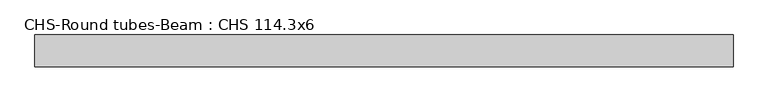
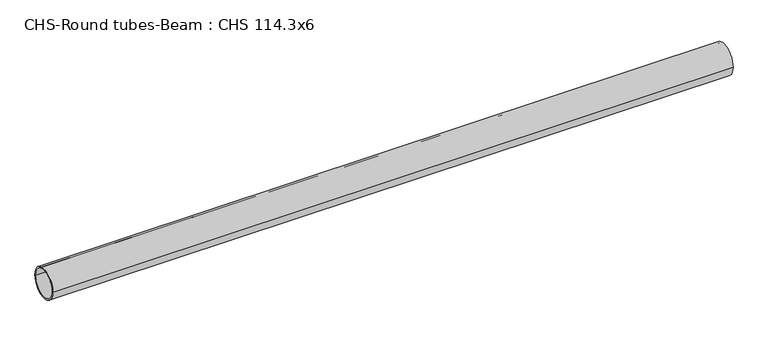
"""IFC4 building model written with IfcOpenShell, lengths in millimetres: beam geometry, CHS-Round tubes-Beam : CHS 114.3x6."""

from ifc_helpers import new_model, si_unit, point, frame, origin, origin_2d, place, context, project, spatial, circle_curve, trimmed, segment, composite_curve, outline, extrude, source, transform, mapped, element, save


def chs_round_tubes_beam_chs_114_3x6_e6110015(model_context):
    return source(origin(), model_context, "Body", "SweptSolid", [
        extrude(outline(composite_curve([segment(trimmed(circle_curve(origin_2d(), 57.15), [point((57.15, 0.0))], [point((-57.15, 0.0))], False, "CARTESIAN"), True, "CONTINUOUS"), segment(trimmed(circle_curve(origin_2d(), 57.15), [point((-57.15, 0.0))], [point((57.15, 0.0))], False, "CARTESIAN"), True, "CONTINUOUS")], self_intersect=False), holes=[composite_curve([segment(trimmed(circle_curve(origin_2d(), 51.15), [point((51.15, 0.0))], [point((-51.15, 0.0))], True, "CARTESIAN"), True, "CONTINUOUS"), segment(trimmed(circle_curve(origin_2d(), 51.15), [point((-51.15, 0.0))], [point((51.15, 0.0))], True, "CARTESIAN"), True, "CONTINUOUS")], self_intersect=False)]), frame((-1089.5560626, 0.0, 0.0), z_axis=(1.0, 0.0, 0.0), x_axis=(0.0, 1.0, 0.0)), (0.0, 0.0, 1.0), 2502.4767483),
    ])


if __name__ == "__main__":
    model = new_model("IFC4")
    model_context = context("Model", 3, world=origin())
    ifc_project = project(units=[si_unit("LENGTHUNIT", "METRE", prefix="MILLI")], contexts=[model_context])
    site = spatial("IfcSite", under=ifc_project)
    building = spatial("IfcBuilding", under=site)
    placement = place(None, origin())
    chs_round_tubes_beam_chs_114_3x6_shape = chs_round_tubes_beam_chs_114_3x6_e6110015(model_context)
    element("IfcBeam", 1, ObjectType="CHS-Round tubes-Beam : CHS 114.3x6", at=placement, inside=building, context=model_context, shape_type="MappedRepresentation", body=[
        mapped(chs_round_tubes_beam_chs_114_3x6_shape, transform((0.0, 0.0, 0.0), x_axis=(1.0, 0.0, 0.0), y_axis=(0.0, 1.0, 0.0), z_axis=(0.0, 0.0, 1.0))),
    ])
    save(model, "model.ifc")
